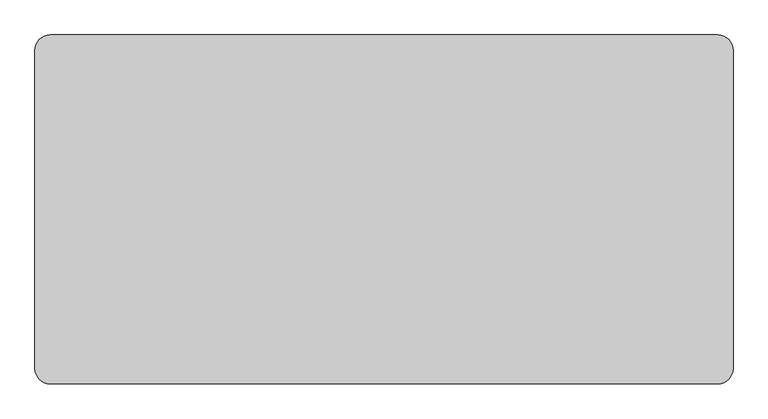
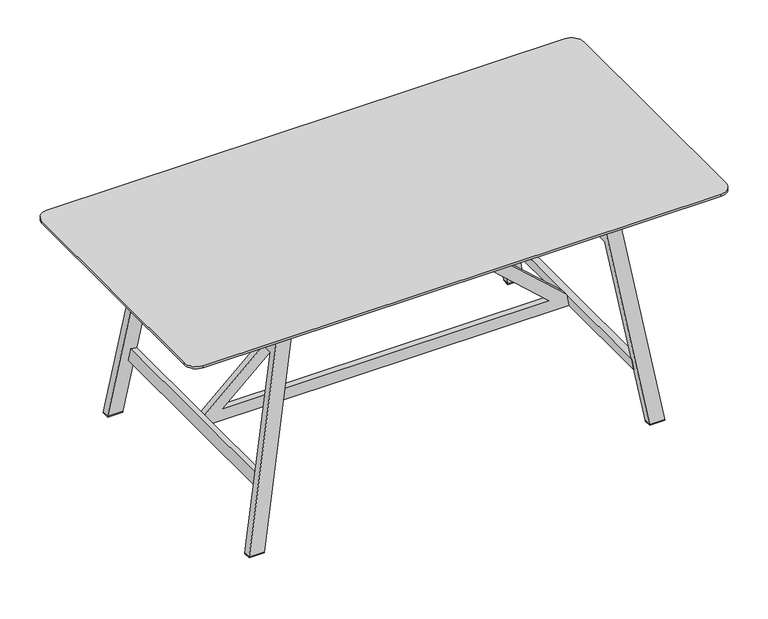
"""IFC4 building model written with IfcOpenShell, lengths in millimetres: furniture geometry."""

from ifc_helpers import new_model, si_unit, point, frame, frame_2d, origin, origin_with_axes, place, context, project, spatial, polyline, circle_curve, trimmed, segment, composite_curve, outline, extrude, faceted_brep, source, transform, mapped, element, save
from ifc_brep_helpers import plane_surface, cylinder_surface, revolved_surface, advanced_brep


def furniture_29fbcb1a(model_context):
    return source(origin(), model_context, "Body", "SolidModel", [
        advanced_brep(
        [(860.0, 415.0, 728.0), (860.0, 450.0, 746.0), (900.0, 410.0, 746.0), (865.0, 410.0, 728.0), (860.0, 450.0, 753.0), (900.0, 410.0, 753.0), (900.0, -410.0, 746.0), (865.0, -410.0, 728.0), (900.0, -410.0, 753.0), (860.0, -450.0, 746.0), (860.0, -415.0, 728.0), (860.0, -450.0, 753.0), (-860.0, -450.0, 746.0), (-860.0, -415.0, 728.0), (-860.0, -450.0, 753.0), (-900.0, -410.0, 746.0), (-865.0, -410.0, 728.0), (-900.0, -410.0, 753.0), (-900.0, 410.0, 746.0), (-865.0, 410.0, 728.0), (-900.0, 410.0, 753.0), (-860.0, 450.0, 746.0), (-860.0, 415.0, 728.0), (-860.0, 450.0, 753.0)],
        [
            (0, 1),
            (1, 2, circle_curve(frame((860.0, 410.0, 746.0), z_axis=(0.0, 0.0, -1.0), x_axis=(0.0, 1.0, 0.0)), 40.0)),
            (2, 3),
            (3, 0, circle_curve(frame((860.0, 410.0, 728.0), z_axis=(0.0, 0.0, 1.0), x_axis=(0.0, 1.0, 0.0)), 5.0)),
            (1, 4),
            (4, 5, circle_curve(frame((860.0, 410.0, 753.0), z_axis=(0.0, 0.0, -1.0), x_axis=(0.0, 1.0, 0.0)), 40.0)),
            (5, 2),
            (2, 6),
            (6, 7),
            (7, 3),
            (5, 8),
            (8, 6),
            (6, 9, circle_curve(frame((860.0, -410.0, 746.0), z_axis=(0.0, 0.0, -1.0), x_axis=(1.0, 0.0, 0.0)), 40.0)),
            (9, 10),
            (10, 7, circle_curve(frame((860.0, -410.0, 728.0), z_axis=(0.0, 0.0, 1.0), x_axis=(1.0, 0.0, 0.0)), 5.0)),
            (8, 11, circle_curve(frame((860.0, -410.0, 753.0), z_axis=(0.0, 0.0, -1.0), x_axis=(1.0, 0.0, 0.0)), 40.0)),
            (11, 9),
            (9, 12),
            (12, 13),
            (13, 10),
            (11, 14),
            (14, 12),
            (12, 15, circle_curve(frame((-860.0, -410.0, 746.0), z_axis=(0.0, 0.0, -1.0), x_axis=(0.0, -1.0, 0.0)), 40.0)),
            (15, 16),
            (16, 13, circle_curve(frame((-860.0, -410.0, 728.0), z_axis=(0.0, 0.0, 1.0), x_axis=(0.0, -1.0, 0.0)), 5.0)),
            (14, 17, circle_curve(frame((-860.0, -410.0, 753.0), z_axis=(0.0, 0.0, -1.0), x_axis=(0.0, -1.0, 0.0)), 40.0)),
            (17, 15),
            (15, 18),
            (18, 19),
            (19, 16),
            (17, 20),
            (20, 18),
            (18, 21, circle_curve(frame((-860.0, 410.0, 746.0), z_axis=(0.0, 0.0, -1.0), x_axis=(-1.0, 0.0, 0.0)), 40.0)),
            (21, 22),
            (22, 19, circle_curve(frame((-860.0, 410.0, 728.0), z_axis=(0.0, 0.0, 1.0), x_axis=(-1.0, 0.0, 0.0)), 5.0)),
            (20, 23, circle_curve(frame((-860.0, 410.0, 753.0), z_axis=(0.0, 0.0, -1.0), x_axis=(-1.0, 0.0, 0.0)), 40.0)),
            (23, 21),
            (0, 22),
            (21, 1),
            (4, 23),
        ],
        [
            revolved_surface(polyline([(860.0, 450.0, 746.0), (860.0, 415.0, 728.0)]), (860.0, 410.0, 0.0), (0.0, 0.0, -1.0)),
            cylinder_surface(frame((860.0, 410.0, 0.0), z_axis=(0.0, 0.0, -1.0), x_axis=(0.0, 1.0, 0.0)), 40.0),
            plane_surface(frame((900.0, 410.0, 746.0), z_axis=(0.45734801262081687, 0.0, -0.8892878023181187), x_axis=(0.0, -1.0, 0.0))),
            plane_surface(frame((900.0, 410.0, 753.0), z_axis=(1.0, 0.0, 0.0), x_axis=(0.0, -1.0, 0.0))),
            revolved_surface(polyline([(900.0, -410.0, 746.0), (865.0, -410.0, 728.0)]), (860.0, -410.0, 0.0), (0.0, 0.0, -1.0)),
            cylinder_surface(frame((860.0, -410.0, 0.0), z_axis=(0.0, 0.0, -1.0), x_axis=(1.0, 0.0, 0.0)), 40.0),
            plane_surface(frame((860.0, -450.0, 746.0), z_axis=(0.0, -0.45734801262081687, -0.8892878023181187), x_axis=(-1.0, 0.0, 0.0))),
            plane_surface(frame((860.0, -450.0, 753.0), z_axis=(0.0, -1.0, 0.0), x_axis=(-1.0, 0.0, 0.0))),
            revolved_surface(polyline([(-860.0, -450.0, 746.0), (-860.0, -415.0, 728.0)]), (-860.0, -410.0, 0.0), (0.0, 0.0, -1.0)),
            cylinder_surface(frame((-860.0, -410.0, 0.0), z_axis=(0.0, 0.0, -1.0), x_axis=(0.0, -1.0, 0.0)), 40.0),
            plane_surface(frame((-900.0, -410.0, 746.0), z_axis=(-0.45734801262081687, 0.0, -0.8892878023181187), x_axis=(0.0, 1.0, 0.0))),
            plane_surface(frame((-900.0, -410.0, 753.0), z_axis=(-1.0, 0.0, 0.0), x_axis=(0.0, 1.0, 0.0))),
            revolved_surface(polyline([(-900.0, 410.0, 746.0), (-865.0, 410.0, 728.0)]), (-860.0, 410.0, 0.0), (0.0, 0.0, -1.0)),
            cylinder_surface(frame((-860.0, 410.0, 0.0), z_axis=(0.0, 0.0, -1.0), x_axis=(-1.0, 0.0, 0.0)), 40.0),
            plane_surface(frame((-860.0, 450.0, 746.0), z_axis=(0.0, 0.45734801262081687, -0.8892878023181187), x_axis=(1.0, 0.0, 0.0))),
            plane_surface(frame((-860.0, 415.0, 753.0), z_axis=(0.0, 0.0, 1.0), x_axis=(1.0, 0.0, 0.0))),
            plane_surface(frame((-860.0, 450.0, 753.0), z_axis=(0.0, 1.0, 0.0), x_axis=(1.0, 0.0, 0.0))),
            plane_surface(frame((900.0, 0.0, 728.0), z_axis=(0.0, 0.0, -1.0), x_axis=(0.0, -1.0, 0.0))),
        ],
        [
            (0, [[1, 2, 3, 4]]),
            (1, [[-2, 5, 6, 7]]),
            (2, [[-3, 8, 9, 10]]),
            (3, [[-7, 11, 12, -8]]),
            (4, [[-9, 13, 14, 15]]),
            (5, [[-12, 16, 17, -13]]),
            (6, [[-14, 18, 19, 20]]),
            (7, [[-17, 21, 22, -18]]),
            (8, [[-19, 23, 24, 25]]),
            (9, [[-22, 26, 27, -23]]),
            (10, [[-24, 28, 29, 30]]),
            (11, [[-27, 31, 32, -28]]),
            (12, [[-29, 33, 34, 35]]),
            (13, [[-32, 36, 37, -33]]),
            (14, [[-1, 38, -34, 39]]),
            (15, [[-6, 40, -36, -31, -26, -21, -16, -11]]),
            (16, [[-5, -39, -37, -40]]),
            (17, [[-4, -10, -15, -20, -25, -30, -35, -38]]),
        ],
    ),
        extrude(outline(polyline([(-690.0, 395.0), (-690.0, 420.0), (-640.0, 420.0), (-640.0, 395.0), (-690.0, 395.0)])), origin_with_axes(), (0.0, 0.0, 1.0), 3.0),
        extrude(outline(polyline([(-640.0, -395.0), (-640.0, -420.0), (-690.0, -420.0), (-690.0, -395.0), (-640.0, -395.0)])), origin_with_axes(), (0.0, 0.0, 1.0), 3.0),
        extrude(outline(polyline([(690.0, -395.0), (690.0, -420.0), (640.0, -420.0), (640.0, -395.0), (690.0, -395.0)])), origin_with_axes(), (0.0, 0.0, 1.0), 3.0),
        extrude(outline(polyline([(640.0, 395.0), (640.0, 420.0), (690.0, 420.0), (690.0, 395.0), (640.0, 395.0)])), origin_with_axes(), (0.0, 0.0, 1.0), 3.0),
        extrude(outline(composite_curve([segment(trimmed(circle_curve(frame_2d((-148.0052972, 36.1)), 2.0), [point((-150.0052972, 36.1))], [point((-148.0052972, 38.1))], False, "CARTESIAN"), True, "CONTINUOUS"), segment(polyline([(-148.0052972, 38.1), (148.0052972, 38.1)]), True, "CONTINUOUS"), segment(trimmed(circle_curve(frame_2d((148.0052972, 36.1)), 2.0), [point((148.0052972, 38.1))], [point((150.0052972, 36.1))], False, "CARTESIAN"), True, "CONTINUOUS"), segment(polyline([(150.0052972, 36.1), (150.0052972, -36.1)]), True, "CONTINUOUS"), segment(trimmed(circle_curve(frame_2d((148.0052972, -36.1)), 2.0), [point((150.0052972, -36.1))], [point((148.0052972, -38.1))], False, "CARTESIAN"), True, "CONTINUOUS"), segment(polyline([(148.0052972, -38.1), (-148.0052972, -38.1)]), True, "CONTINUOUS"), segment(trimmed(circle_curve(frame_2d((-148.0052972, -36.1)), 2.0), [point((-148.0052972, -38.1))], [point((-150.0052972, -36.1))], False, "CARTESIAN"), True, "CONTINUOUS"), segment(polyline([(-150.0052972, -36.1), (-150.0052972, 36.1)]), True, "CONTINUOUS")], self_intersect=False)), frame((0.0, 0.0, 721.65), z_axis=(0.0, 0.0, 1.0), x_axis=(1.0, 0.0, 0.0)), (0.0, 0.0, 1.0), 6.35),
        extrude(outline(polyline([(0.0, -20.0), (0.0, 0.0), (764.9222213, 0.0), (764.9222213, -20.0), (0.0, -20.0)])), frame((-628.8624181, -382.5143501, 186.7524266), z_axis=(0.16858644441228365, 0.0, 0.9856868725718244), x_axis=(0.0, 1.0, 0.0)), (0.0, 0.0, 1.0), 40.0),
        extrude(outline(polyline([(0.0, -20.0), (0.0, 0.0), (764.9222213, 0.0), (764.9222213, -20.0), (0.0, -20.0)])), frame((609.1486807, -382.5143501, 183.3806977), z_axis=(-0.16858644441225737, 0.0, 0.985686872571829), x_axis=(0.0, 1.0, 0.0)), (0.0, 0.0, 1.0), 40.0),
        faceted_brep([(-516.0, 370.0, 728.0), (-566.0, 370.0, 728.0), (-566.0, -370.0, 728.0), (-516.0, -370.0, 728.0), (-690.0, 420.0, 3.0), (-690.0, 395.0, 3.0), (-580.6834557, 350.9207483, 642.14915), (-580.6834557, -350.9207483, 642.14915), (-690.0, -395.0, 3.0), (-690.0, -420.0, 3.0), (-640.0, 420.0, 3.0), (-640.0, 395.0, 3.0), (-640.0, -420.0, 3.0), (-640.0, -395.0, 3.0), (-530.6834557, -350.9207483, 642.14915), (-530.6834557, 350.9207483, 642.14915)], [[[0, 1, 2, 3]], [[1, 4, 5, 6, 7, 8, 9, 2]], [[4, 10, 11, 5]], [[12, 9, 8, 13]], [[10, 0, 3, 12, 13, 14, 15, 11]], [[1, 0, 10, 4]], [[3, 2, 9, 12]], [[15, 6, 5, 11]], [[7, 14, 13, 8]], [[6, 15, 14, 7]]]),
        faceted_brep([(640.0, 420.0, 3.0), (690.0, 420.0, 3.0), (690.0, 395.0, 3.0), (640.0, 395.0, 3.0), (690.0, -420.0, 3.0), (640.0, -420.0, 3.0), (640.0, -395.0, 3.0), (690.0, -395.0, 3.0), (566.0, 370.0, 728.0), (566.0, -370.0, 728.0), (580.6834557, -350.9207483, 642.14915), (580.6834557, 350.9207483, 642.14915), (516.0, 370.0, 728.0), (516.0, -370.0, 728.0), (530.6834557, 350.9207483, 642.14915), (530.6834557, -350.9207483, 642.14915)], [[[0, 1, 2, 3]], [[4, 5, 6, 7]], [[1, 8, 9, 4, 7, 10, 11, 2]], [[8, 12, 13, 9]], [[12, 0, 3, 14, 15, 6, 5, 13]], [[1, 0, 12, 8]], [[5, 4, 9, 13]], [[11, 14, 3, 2]], [[15, 10, 7, 6]], [[14, 11, 10, 15]]]),
        extrude(outline(polyline([(222.8081726, -602.4052229), (183.3806977, -609.1486807), (183.3806977, 609.1486807), (222.8081726, 602.4052229), (721.65, 49.657), (721.65, -49.6675944), (222.8081726, -602.4052229)]), holes=[polyline([(223.3806977, -542.0681541), (712.5933994, 0.0), (223.3806977, 542.078544), (223.3806977, -542.0681541)])]), frame((0.0, -10.0, 0.0), z_axis=(0.0, 1.0, 0.0), x_axis=(0.0, 0.0, 1.0)), (0.0, 0.0, 1.0), 20.0),
    ])


if __name__ == "__main__":
    model = new_model("IFC4")
    model_context = context("Model", 3, world=origin())
    ifc_project = project(units=[si_unit("LENGTHUNIT", "METRE", prefix="MILLI")], contexts=[model_context])
    site = spatial("IfcSite", under=ifc_project)
    building = spatial("IfcBuilding", under=site)
    placement = place(None, origin())
    furniture_shape = furniture_29fbcb1a(model_context)
    element("IfcFurniture", 1, at=placement, inside=building, context=model_context, shape_type="MappedRepresentation", body=[
        mapped(furniture_shape, transform((0.0, 0.0, 0.0), x_axis=(1.0, 0.0, 0.0), y_axis=(0.0, 1.0, 0.0), z_axis=(0.0, 0.0, 1.0))),
    ])
    save(model, "model.ifc")
